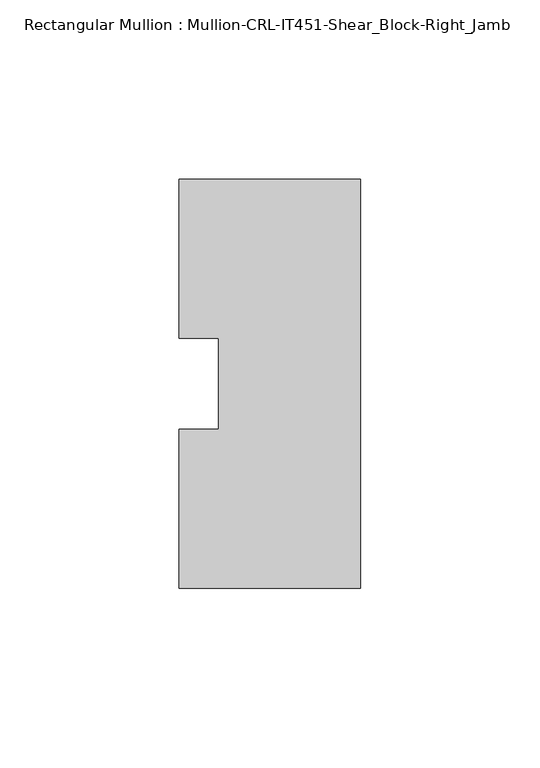
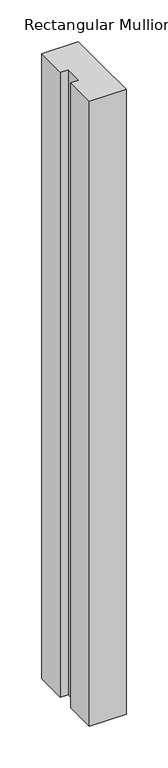
"""IFC4 building model written with IfcOpenShell, lengths in millimetres: member geometry, Rectangular Mullion : Mullion-CRL-IT451-Shear_Block-Right_Jamb."""

from ifc_helpers import new_model, si_unit, frame, origin, place, context, project, spatial, polyline, outline, extrude, source, transform, mapped, element, save


def rectangular_mullion_mullion_crl_it451_shear_block_right_jamb_91bf29d5(model_context):
    return source(origin(), model_context, "Body", "SweptSolid", [
        extrude(outline(polyline([(0.0, -57.1909821), (-50.8, -57.1909821), (-50.8, -12.7), (-39.6875, -12.7), (-39.6875, 12.7), (-50.8, 12.7), (-50.8, 57.1090179), (0.0, 57.1090179), (0.0, 0.7488495), (0.0, -57.1909821)])), frame((0.0, 0.0, -914.4), z_axis=(0.0, 0.0, 1.0), x_axis=(1.0, 0.0, 0.0)), (0.0, 0.0, 1.0), 914.4),
    ])


if __name__ == "__main__":
    model = new_model("IFC4")
    model_context = context("Model", 3, world=origin())
    ifc_project = project(units=[si_unit("LENGTHUNIT", "METRE", prefix="MILLI")], contexts=[model_context])
    site = spatial("IfcSite", under=ifc_project)
    building = spatial("IfcBuilding", under=site)
    placement = place(None, origin())
    rectangular_mullion_mullion_crl_it451_shear_block_right_jamb_shape = rectangular_mullion_mullion_crl_it451_shear_block_right_jamb_91bf29d5(model_context)
    element("IfcMember", 1, ObjectType="Rectangular Mullion : Mullion-CRL-IT451-Shear_Block-Right_Jamb", at=placement, inside=building, context=model_context, shape_type="MappedRepresentation", body=[
        mapped(rectangular_mullion_mullion_crl_it451_shear_block_right_jamb_shape, transform((0.0, 0.0, 0.0), x_axis=(1.0, 0.0, 0.0), y_axis=(0.0, 1.0, 0.0), z_axis=(0.0, 0.0, 1.0))),
    ])
    save(model, "model.ifc")
